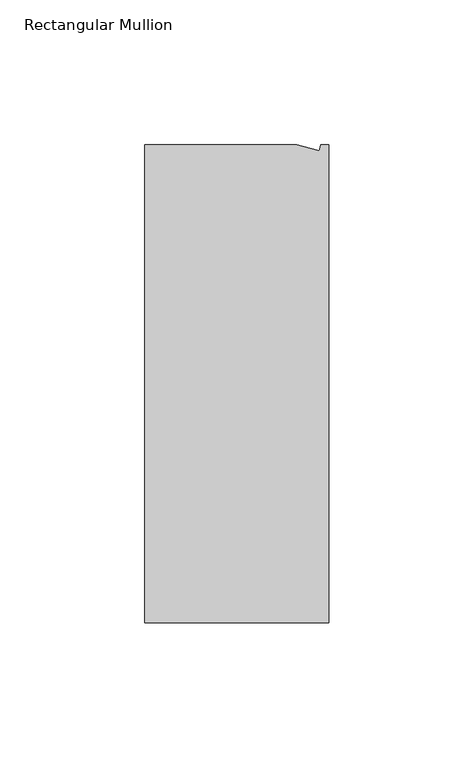
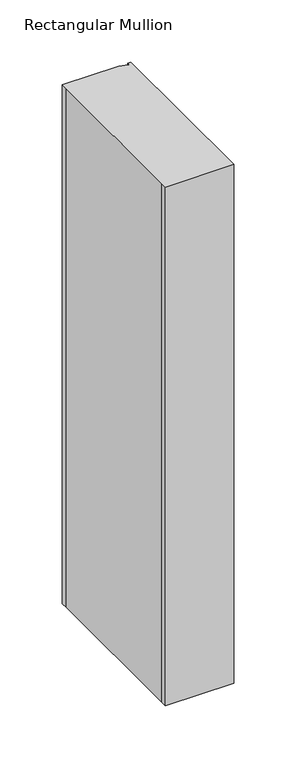
"""IFC4 building model written with IfcOpenShell, lengths in millimetres: member geometry, Rectangular Mullion."""

from ifc_helpers import new_model, si_unit, origin, place, context, project, spatial, faceted_brep, source, transform, mapped, element, save


def rectangular_mullion_37a9f2c9(model_context):
    return source(origin(), model_context, "Body", "Brep", [
        faceted_brep([(0.0, -132.5561012, 0.0), (0.0, 32.5438988, 0.0), (-2.7630634, 32.5438988, 0.0), (-3.3223696, 30.4565397, 0.0), (-11.1125, 32.5438988, 0.0), (-63.5076469, 32.5438988, 0.0), (-63.5076469, 26.1938988, 0.0), (-63.5, -126.2061012, 0.0), (-63.5076469, -132.5561012, 0.0), (0.0, -132.5561012, -508.0), (-63.5076469, -132.5561012, -508.0), (-63.5076469, -126.2061012, -508.0), (-63.5, 26.1938988, -508.0), (-63.5076469, 32.5438988, -508.0), (-11.1125, 32.5438988, -508.0), (-3.3223696, 30.4565397, -508.0), (-2.7630634, 32.5438988, -508.0), (0.0, 32.5438988, -508.0)], [[[0, 1, 2, 3, 4, 5, 6, 7, 8]], [[9, 10, 11, 12, 13, 14, 15, 16, 17]], [[1, 0, 9, 17]], [[2, 1, 17, 16]], [[3, 2, 16, 15]], [[4, 3, 15, 14]], [[5, 4, 14, 13]], [[7, 6, 12, 11]], [[0, 8, 10, 9]], [[6, 5, 13, 12]], [[8, 7, 11, 10]]]),
    ])


if __name__ == "__main__":
    model = new_model("IFC4")
    model_context = context("Model", 3, world=origin())
    ifc_project = project(units=[si_unit("LENGTHUNIT", "METRE", prefix="MILLI")], contexts=[model_context])
    site = spatial("IfcSite", under=ifc_project)
    building = spatial("IfcBuilding", under=site)
    placement = place(None, origin())
    rectangular_mullion_shape = rectangular_mullion_37a9f2c9(model_context)
    element("IfcMember", 1, ObjectType="Rectangular Mullion", at=placement, inside=building, context=model_context, shape_type="MappedRepresentation", body=[
        mapped(rectangular_mullion_shape, transform((0.0, 0.0, 0.0), x_axis=(1.0, 0.0, 0.0), y_axis=(0.0, 1.0, 0.0), z_axis=(0.0, 0.0, 1.0))),
    ])
    save(model, "model.ifc")
